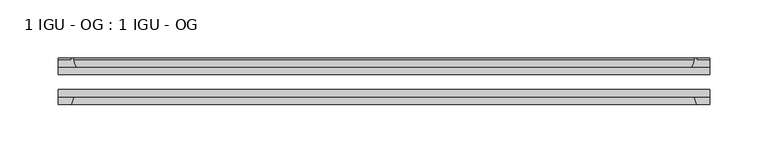
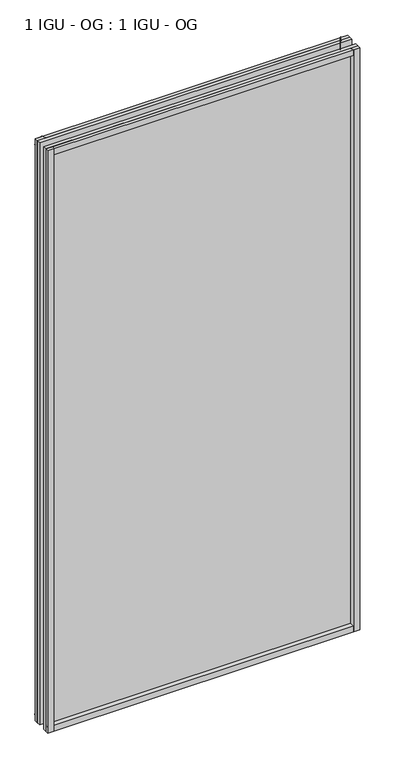
"""IFC4 building model written with IfcOpenShell, lengths in millimetres: plate geometry, 1 IGU - OG : 1 IGU - OG."""

import ifcopenshell
import ifcopenshell.guid

model = None  # the IFC model being written
_history = None  # IfcOwnerHistory: only IFC2X3 demands one
_inside = {}  # id of a spatial element -> (the spatial element, [elements in it])
_under = {}  # id of a project, library or spatial element -> (it, [spatial elements below it])
_declared = {}  # id of a project -> (the project, [libraries it declares])
_typed = {}  # id of a type object -> (the type object, [elements of that type])
_made_of = {}  # id of a material, layer set ... -> (it, [elements and type objects made of it])


def new_model(schema):
    """Start an empty IFC model of exactly this schema.

    Asked for "IFC4X3", IfcOpenShell would pick the latest addendum, in which some entities
    have other attributes; the version numbers below select the first issue.
    IFC2X3 requires an IfcOwnerHistory on every rooted entity: one is made here for all.
    """
    global model, _history
    if schema == "IFC4X3":
        model = ifcopenshell.file(schema_version=(4, 3, 0, 0))
    else:
        model = ifcopenshell.file(schema=schema)
    _inside.clear()
    _under.clear()
    _declared.clear()
    _typed.clear()
    _made_of.clear()
    _history = None
    if model.schema == "IFC2X3":
        org = make("IfcOrganization", Name="unknown")
        user = make(
            "IfcPersonAndOrganization",
            ThePerson=make("IfcPerson", FamilyName="unknown"),
            TheOrganization=org,
        )
        app = make(
            "IfcApplication",
            ApplicationDeveloper=org,
            Version="unknown",
            ApplicationFullName="unknown",
            ApplicationIdentifier="unknown",
        )
        _history = make(
            "IfcOwnerHistory",
            OwningUser=user,
            OwningApplication=app,
            ChangeAction="ADDED",
            CreationDate=0,
        )
    return model


def make(cls, **values):
    """One entity of the class cls with the attributes given. An attribute that is None is left unset."""
    return model.create_entity(
        cls, **{name: value for name, value in values.items() if value is not None}
    )


def rooted(cls, **values):
    """An entity with a GlobalId (a new one), such as an element, a storey or a relation."""
    return make(cls, GlobalId=ifcopenshell.guid.new(), OwnerHistory=_history, **values)


def si_unit(unit_type, name, prefix=None):
    """IfcSIUnit, for example si_unit("LENGTHUNIT", "METRE", prefix="MILLI")."""
    return make("IfcSIUnit", UnitType=unit_type, Prefix=prefix, Name=name)


def assignment(units):
    """IfcUnitAssignment: the units of a project."""
    return None if units is None else make("IfcUnitAssignment", Units=units)


def point(xyz):
    """IfcCartesianPoint."""
    return None if xyz is None else make("IfcCartesianPoint", Coordinates=xyz)


def direction(xyz):
    """IfcDirection."""
    return None if xyz is None else make("IfcDirection", DirectionRatios=xyz)


def frame(location, z_axis=None, x_axis=None):
    """IfcAxis2Placement3D, a coordinate frame: its origin and axes. An axis left out is left unset."""
    return make(
        "IfcAxis2Placement3D",
        Location=point(location),
        Axis=direction(z_axis),
        RefDirection=direction(x_axis),
    )


def frame_2d(location, x_axis=None):
    """IfcAxis2Placement2D, a coordinate frame in the plane: its origin and x axis."""
    return make(
        "IfcAxis2Placement2D", Location=point(location), RefDirection=direction(x_axis)
    )


def origin():
    """The frame at (0, 0, 0) with its axes left unset."""
    return frame((0.0, 0.0, 0.0))


def place(relative_to, where):
    """IfcLocalPlacement: puts the frame where relative to a parent placement (None: the world)."""
    return make(
        "IfcLocalPlacement", PlacementRelTo=relative_to, RelativePlacement=where
    )


def context(
    kind, dimensions, precision=None, world=None, true_north=None, identifier=None
):
    """IfcGeometricRepresentationContext, for example the 3D "Model" context."""
    return make(
        "IfcGeometricRepresentationContext",
        ContextIdentifier=identifier,
        ContextType=kind,
        CoordinateSpaceDimension=dimensions,
        Precision=precision,
        WorldCoordinateSystem=world,
        TrueNorth=true_north,
    )


def project(units=None, contexts=None):
    """IfcProject with its units and contexts."""
    return rooted(
        "IfcProject",
        Name="project",
        RepresentationContexts=contexts,
        UnitsInContext=assignment(units),
    )


def spatial(cls, under=None, at=None, **own):
    """A site, building, storey or space (cls), placed at a placement, below another one or the project."""
    s = rooted(cls, ObjectPlacement=at, **own)
    if under is not None:
        _under.setdefault(under.id(), (under, []))[1].append(s)
    return s


def polyline(points):
    """IfcPolyline through the points."""
    return make("IfcPolyline", Points=[point(p) for p in points])


def circle_curve(where, radius):
    """IfcCircle in the frame where."""
    return make("IfcCircle", Position=where, Radius=radius)


def trimmed(basis, trim1, trim2, sense, master):
    """IfcTrimmedCurve: the piece of a basis curve between two trims."""
    return make(
        "IfcTrimmedCurve",
        BasisCurve=basis,
        Trim1=trim1,
        Trim2=trim2,
        SenseAgreement=sense,
        MasterRepresentation=master,
    )


def segment(curve, same_sense, transition):
    """IfcCompositeCurveSegment."""
    return make(
        "IfcCompositeCurveSegment",
        Transition=transition,
        SameSense=same_sense,
        ParentCurve=curve,
    )


def composite_curve(segments, self_intersect=None):
    """IfcCompositeCurve: segments joined end to end."""
    return make("IfcCompositeCurve", Segments=segments, SelfIntersect=self_intersect)


def outline(outer, holes=None, kind="AREA"):
    """IfcArbitraryClosedProfileDef: a profile drawn as a closed curve; with holes, ...WithVoids."""
    if holes is None:
        return make("IfcArbitraryClosedProfileDef", ProfileType=kind, OuterCurve=outer)
    return make(
        "IfcArbitraryProfileDefWithVoids",
        ProfileType=kind,
        OuterCurve=outer,
        InnerCurves=holes,
    )


def extrude(swept, where, along, depth):
    """IfcExtrudedAreaSolid: the profile swept, set in the frame where, extruded along a direction by depth."""
    return make(
        "IfcExtrudedAreaSolid",
        SweptArea=swept,
        Position=where,
        ExtrudedDirection=direction(along),
        Depth=depth,
    )


def shape(context_of_items, identifier, shape_type, items):
    """IfcShapeRepresentation: the items that make up one representation, for example the "Body"."""
    return make(
        "IfcShapeRepresentation",
        ContextOfItems=context_of_items,
        RepresentationIdentifier=identifier,
        RepresentationType=shape_type,
        Items=items,
    )


def source(mapping_origin, context_of_items, identifier, shape_type, items):
    """IfcRepresentationMap: a shape defined once, which mapped items show again and again."""
    return make(
        "IfcRepresentationMap",
        MappingOrigin=mapping_origin,
        MappedRepresentation=shape(context_of_items, identifier, shape_type, items),
    )


def transform(
    local_origin,
    x_axis=None,
    y_axis=None,
    z_axis=None,
    scale=None,
    scale2=None,
    scale3=None,
    uniform=True,
):
    """IfcCartesianTransformationOperator3D, or its non-uniform kind. x_axis, y_axis, z_axis: its Axis1, 2, 3."""
    if uniform:
        return make(
            "IfcCartesianTransformationOperator3D",
            Axis1=direction(x_axis),
            Axis2=direction(y_axis),
            LocalOrigin=point(local_origin),
            Scale=scale,
            Axis3=direction(z_axis),
        )
    return make(
        "IfcCartesianTransformationOperator3DnonUniform",
        Axis1=direction(x_axis),
        Axis2=direction(y_axis),
        LocalOrigin=point(local_origin),
        Scale=scale,
        Axis3=direction(z_axis),
        Scale2=scale2,
        Scale3=scale3,
    )


def mapped(mapping_source, mapping_target):
    """IfcMappedItem: shows the shape of a source again, moved by a transform."""
    return make(
        "IfcMappedItem", MappingSource=mapping_source, MappingTarget=mapping_target
    )


def made_of(thing, what):
    """Note that an element or type object is made of a material, layer set ...; save() writes the relation."""
    if what is not None:
        _made_of.setdefault(what.id(), (what, []))[1].append(thing)
    return thing


def element(
    cls,
    number,
    at=None,
    inside=None,
    cuts=None,
    type_object=None,
    material=None,
    context=None,
    identifier="Body",
    shape_type=None,
    held_by="IfcProductDefinitionShape",
    body=None,
    shapes=None,
    **own,
):
    """One element of the class cls, such as IfcWall. Its Tag is "e" and its number.

    at: its placement. inside: the storey or other place that contains it. cuts: it is an
    opening in that element (IfcRelVoidsElement). A single representation is given by context,
    identifier, shape_type and body (its items); several are given by shapes. held_by: the class
    of the entity that holds the representations. save() writes the other relations.
    """
    e = rooted(cls, Tag="e%d" % number, ObjectPlacement=at, **own)
    if body is not None:
        shapes = [shape(context, identifier, shape_type, body)]
    if shapes is not None:
        e.Representation = make(held_by, Representations=shapes)
    if inside is not None:
        _inside.setdefault(inside.id(), (inside, []))[1].append(e)
    if cuts is not None:
        rooted(
            "IfcRelVoidsElement", RelatingBuildingElement=cuts, RelatedOpeningElement=e
        )
    if type_object is not None:
        _typed.setdefault(type_object.id(), (type_object, []))[1].append(e)
    return made_of(e, material)


def aggregate(whole, parts):
    """IfcRelAggregates: a whole, such as a stair, and the parts it consists of."""
    return rooted("IfcRelAggregates", RelatingObject=whole, RelatedObjects=parts)


def save(model, path):
    """Write the relations noted so far, then the file.

    IfcRelAggregates (storeys below a building ...), IfcRelContainedInSpatialStructure (elements
    in a storey), IfcRelDefinesByType, IfcRelAssociatesMaterial and IfcRelDeclares: one each for
    every whole, place, type object, material and project.
    """
    for whole, parts in _under.values():
        aggregate(whole, parts)
    for where, things in _inside.values():
        rooted(
            "IfcRelContainedInSpatialStructure",
            RelatedElements=things,
            RelatingStructure=where,
        )
    for kind, things in _typed.values():
        rooted("IfcRelDefinesByType", RelatedObjects=things, RelatingType=kind)
    for what, things in _made_of.values():
        rooted("IfcRelAssociatesMaterial", RelatedObjects=things, RelatingMaterial=what)
    for by, libraries in _declared.values():
        rooted("IfcRelDeclares", RelatingContext=by, RelatedDefinitions=libraries)
    model.write(path)


def plate_1_igu_og_1_igu_og_c10c10f5(model_context):
    return source(origin(), model_context, "Body", "SweptSolid", [
        extrude(outline(polyline([(260.35, -31.75), (260.35, -38.1), (-298.45, -38.1), (-298.45, -31.75), (260.35, -31.75)])), frame((0.0, 0.0, -11.1125), z_axis=(0.0, 0.0, 1.0), x_axis=(1.0, 0.0, 0.0)), (0.0, 0.0, 1.0), 1101.7245636),
        extrude(outline(polyline([(-298.45, -12.7), (260.35, -12.7), (260.35, -19.05), (-298.45, -19.05), (-298.45, -12.7)])), frame((0.0, 0.0, -11.1125), z_axis=(0.0, 0.0, 1.0), x_axis=(1.0, 0.0, 0.0)), (0.0, 0.0, 1.0), 1101.7245636),
        extrude(outline(composite_curve([segment(polyline([(-283.1142091, -12.7), (-298.45, -12.7), (-298.45, -6.35), (-287.3375, -6.35), (-287.3375, -4.7751661), (-286.408086, -4.7751661)]), True, "CONTINUOUS"), segment(trimmed(circle_curve(frame_2d((-286.408086, -5.5371661)), 0.762), [point((-286.408086, -4.7751661))], [point((-285.6658761, -5.364631))], False, "CARTESIAN"), True, "CONTINUOUS"), segment(trimmed(circle_curve(frame_2d((-250.0366579, 2.9177851)), 36.5792237), [point((-285.6658761, -5.364631))], [point((-283.1142091, -12.7))], True, "CARTESIAN"), True, "CONTINUOUS")], self_intersect=False)), frame((0.0, 0.0, -11.1125), z_axis=(0.0, 0.0, 1.0), x_axis=(1.0, 0.0, 0.0)), (0.0, 0.0, 1.0), 1101.7245636),
        extrude(outline(polyline([(-298.45, -38.1), (-285.2322229, -38.1), (-287.3375, -44.45), (-298.45, -44.45), (-298.45, -38.1)])), frame((0.0, 0.0, -11.1125), z_axis=(0.0, 0.0, 1.0), x_axis=(1.0, 0.0, 0.0)), (0.0, 0.0, 1.0), 1101.7245636),
        extrude(outline(composite_curve([segment(trimmed(circle_curve(frame_2d((248.308086, -5.5371661)), 0.762), [point((247.5658761, -5.364631))], [point((248.308086, -4.7751661))], False, "CARTESIAN"), True, "CONTINUOUS"), segment(polyline([(248.308086, -4.7751661), (249.2375, -4.7751661), (249.2375, -6.35), (260.35, -6.35), (260.35, -12.7), (245.0142091, -12.7)]), True, "CONTINUOUS"), segment(trimmed(circle_curve(frame_2d((211.9366579, 2.9177851)), 36.5792237), [point((245.0142091, -12.7))], [point((247.5658761, -5.364631))], True, "CARTESIAN"), True, "CONTINUOUS")], self_intersect=False)), frame((0.0, 0.0, -11.1125), z_axis=(0.0, 0.0, 1.0), x_axis=(1.0, 0.0, 0.0)), (0.0, 0.0, 1.0), 1101.7245636),
        extrude(outline(polyline([(247.1322229, -38.1), (260.35, -38.1), (260.35, -44.45), (249.2375, -44.45), (247.1322229, -38.1)])), frame((0.0, 0.0, -11.1125), z_axis=(0.0, 0.0, 1.0), x_axis=(1.0, 0.0, 0.0)), (0.0, 0.0, 1.0), 1101.7245636),
        extrude(outline(composite_curve([segment(polyline([(-12.7, -11.1125), (-12.7, 4.2232909)]), True, "CONTINUOUS"), segment(trimmed(circle_curve(frame_2d((2.9177851, 37.3008421)), 36.5792237), [point((-12.7, 4.2232909))], [point((-5.364631, 1.6716239))], True, "CARTESIAN"), True, "CONTINUOUS"), segment(trimmed(circle_curve(frame_2d((-5.5371661, 0.929414)), 0.762), [point((-5.364631, 1.6716239))], [point((-4.7751661, 0.929414))], False, "CARTESIAN"), True, "CONTINUOUS"), segment(polyline([(-4.7751661, 0.929414), (-4.7751661, 0.0), (-6.35, 0.0), (-6.35, -11.1125), (-12.7, -11.1125)]), True, "CONTINUOUS")], self_intersect=False)), frame((-298.45, 0.0, 0.0), z_axis=(1.0, 0.0, 0.0), x_axis=(0.0, 1.0, 0.0)), (0.0, 0.0, 1.0), 558.8),
        extrude(outline(polyline([(-38.1, 2.1052771), (-38.1, -11.1125), (-44.45, -11.1125), (-44.45, 0.0), (-38.1, 2.1052771)])), frame((-298.45, 0.0, 0.0), z_axis=(1.0, 0.0, 0.0), x_axis=(0.0, 1.0, 0.0)), (0.0, 0.0, 1.0), 558.8),
        extrude(outline(composite_curve([segment(trimmed(circle_curve(frame_2d((2.9177851, 1042.1987214)), 36.5792237), [point((-5.364631, 1077.8279397))], [point((-12.7, 1075.2762727))], True, "CARTESIAN"), True, "CONTINUOUS"), segment(polyline([(-12.7, 1075.2762727), (-12.7, 1090.6120636), (-6.35, 1090.6120636), (-6.35, 1079.4995636), (-4.7751661, 1079.4995636), (-4.7751661, 1078.5701496)]), True, "CONTINUOUS"), segment(trimmed(circle_curve(frame_2d((-5.5371661, 1078.5701496)), 0.762), [point((-4.7751661, 1078.5701496))], [point((-5.364631, 1077.8279397))], False, "CARTESIAN"), True, "CONTINUOUS")], self_intersect=False)), frame((-298.45, 0.0, 0.0), z_axis=(1.0, 0.0, 0.0), x_axis=(0.0, 1.0, 0.0)), (0.0, 0.0, 1.0), 558.8),
        extrude(outline(polyline([(-38.1, 1090.6120636), (-38.1, 1077.3942865), (-44.45, 1079.4995636), (-44.45, 1090.6120636), (-38.1, 1090.6120636)])), frame((-298.45, 0.0, 0.0), z_axis=(1.0, 0.0, 0.0), x_axis=(0.0, 1.0, 0.0)), (0.0, 0.0, 1.0), 558.8),
    ])


if __name__ == "__main__":
    model = new_model("IFC4")
    model_context = context("Model", 3, world=origin())
    ifc_project = project(units=[si_unit("LENGTHUNIT", "METRE", prefix="MILLI")], contexts=[model_context])
    site = spatial("IfcSite", under=ifc_project)
    building = spatial("IfcBuilding", under=site)
    placement = place(None, origin())
    plate_1_igu_og_1_igu_og_shape = plate_1_igu_og_1_igu_og_c10c10f5(model_context)
    element("IfcPlate", 1, ObjectType="1 IGU - OG : 1 IGU - OG", at=placement, inside=building, context=model_context, shape_type="MappedRepresentation", body=[
        mapped(plate_1_igu_og_1_igu_og_shape, transform((0.0, 0.0, 0.0), x_axis=(1.0, 0.0, 0.0), y_axis=(0.0, 1.0, 0.0), z_axis=(0.0, 0.0, 1.0))),
    ])
    save(model, "model.ifc")
